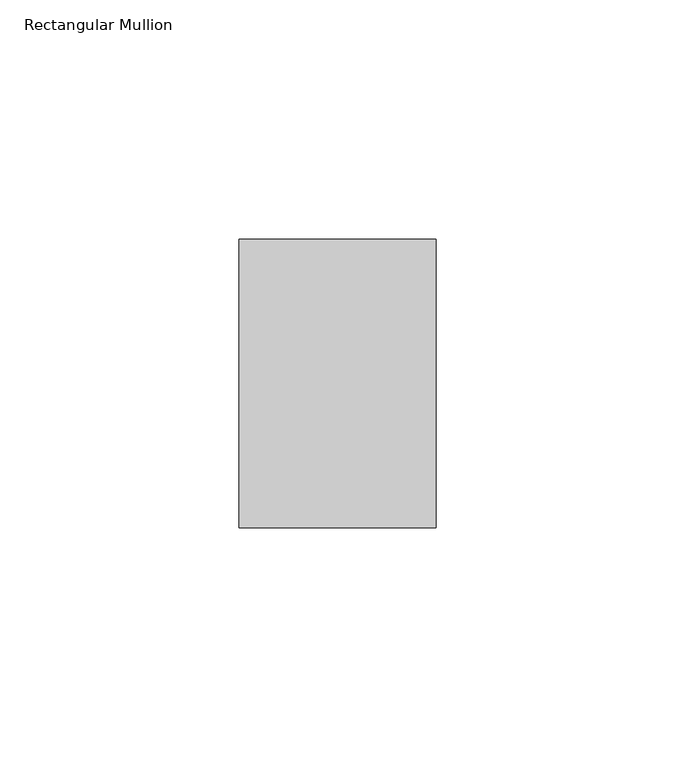
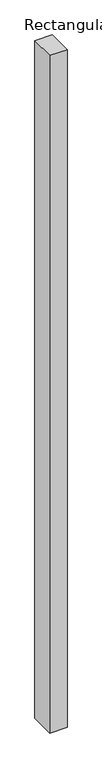
"""IFC4 building model written with IfcOpenShell, lengths in millimetres: member geometry, Rectangular Mullion."""

from ifc_helpers import new_model, si_unit, frame, origin, place, context, project, spatial, polyline, outline, extrude, source, transform, mapped, element, save


def rectangular_mullion_2a7f36dc(model_context):
    return source(origin(), model_context, "Body", "SweptSolid", [
        extrude(outline(polyline([(0.0, -50.8), (-41.275, -50.8), (-41.275, 9.525), (0.0, 9.525), (0.0, -50.8)])), frame((0.0, 0.0, -1695.45), z_axis=(0.0, 0.0, 1.0), x_axis=(1.0, 0.0, 0.0)), (0.0, 0.0, 1.0), 1695.45),
    ])


if __name__ == "__main__":
    model = new_model("IFC4")
    model_context = context("Model", 3, world=origin())
    ifc_project = project(units=[si_unit("LENGTHUNIT", "METRE", prefix="MILLI")], contexts=[model_context])
    site = spatial("IfcSite", under=ifc_project)
    building = spatial("IfcBuilding", under=site)
    placement = place(None, origin())
    rectangular_mullion_shape = rectangular_mullion_2a7f36dc(model_context)
    element("IfcMember", 1, ObjectType="Rectangular Mullion", at=placement, inside=building, context=model_context, shape_type="MappedRepresentation", body=[
        mapped(rectangular_mullion_shape, transform((0.0, 0.0, 0.0), x_axis=(1.0, 0.0, 0.0), y_axis=(0.0, 1.0, 0.0), z_axis=(0.0, 0.0, 1.0))),
    ])
    save(model, "model.ifc")
